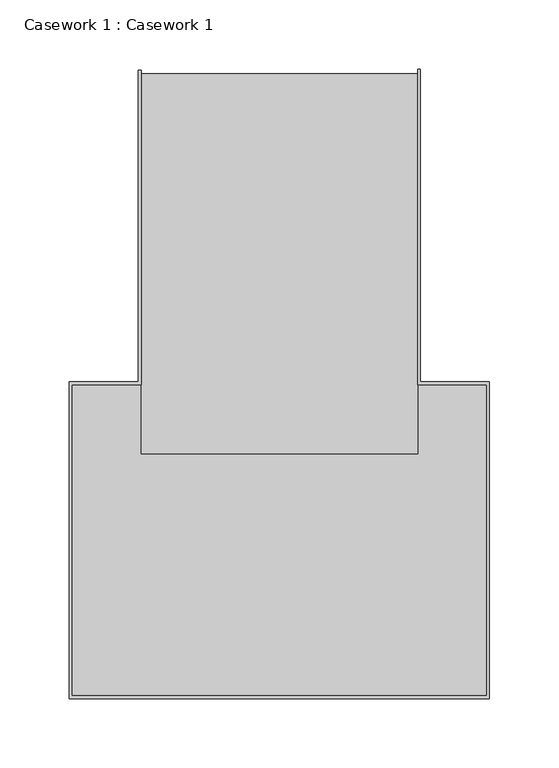
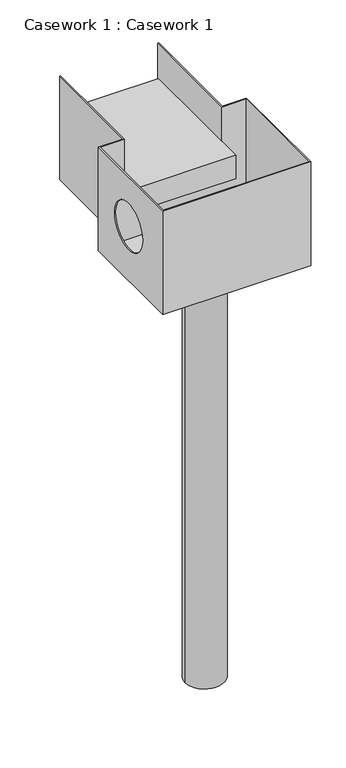
"""IFC4 building model written with IfcOpenShell, lengths in millimetres: furniture geometry, Casework 1 : Casework 1."""

from ifc_helpers import new_model, si_unit, point, frame, frame_2d, origin, place, context, project, spatial, polyline, circle_curve, trimmed, segment, composite_curve, outline, extrude, source, transform, mapped, element, save
from ifc_brep_helpers import plane_surface, revolved_surface, advanced_brep


def casework_1_casework_1_c06312c3(model_context):
    return source(origin(), model_context, "Body", "SolidModel", [
        extrude(outline(polyline([(5211.3523984, 916.5412397), (5211.3523984, 641.6319301), (5011.3523984, 641.6319301), (5011.3523984, 916.5412397), (5211.3523984, 916.5412397)])), frame((0.0, 0.0, -8703.1653558), z_axis=(0.0, 0.0, 1.0), x_axis=(1.0, 0.0, 0.0)), (0.0, 0.0, 1.0), 50.0),
        advanced_brep(
        [(5261.3523984, 466.6319301, -8578.1653558), (4961.3523984, 466.6319301, -8578.1653558), (4961.3523984, 691.6319301, -8578.1653558), (5011.3523984, 691.6319301, -8578.1653558), (5011.3523984, 772.8947781, -8578.1653558), (5011.3523984, 918.8995807, -8578.1653558), (5009.3523984, 918.8995807, -8578.1653558), (5009.3523984, 693.6319301, -8578.1653558), (4959.3523984, 693.6319301, -8578.1653558), (4959.3523984, 464.6319301, -8578.1653558), (5263.3523984, 464.6319301, -8578.1653558), (5263.3523984, 693.6319301, -8578.1653558), (5213.3523984, 693.6319301, -8578.1653558), (5213.3523984, 919.8429171, -8578.1653558), (5211.3523984, 919.8429171, -8578.1653558), (5211.3523984, 772.8947781, -8578.1653558), (5211.3523984, 691.6319301, -8578.1653558), (5261.3523984, 691.6319301, -8578.1653558), (5261.3523984, 466.6319301, -8803.1653558), (5261.3523984, 691.6319301, -8803.1653558), (5211.3523984, 691.6319301, -8803.1653558), (5211.3523984, 919.8429171, -8803.1653558), (5213.3523984, 919.8429171, -8803.1653558), (5213.3523984, 693.6319301, -8803.1653558), (5263.3523984, 693.6319301, -8803.1653558), (5263.3523984, 464.6319301, -8803.1653558), (4959.3523984, 464.6319301, -8803.1653558), (4959.3523984, 693.6319301, -8803.1653558), (5009.3523984, 693.6319301, -8803.1653558), (5009.3523984, 918.8995807, -8803.1653558), (5011.3523984, 918.8995807, -8803.1653558), (5011.3523984, 691.6319301, -8803.1653558), (4961.3523984, 691.6319301, -8803.1653558), (4961.3523984, 466.6319301, -8803.1653558), (4961.3523984, 536.5538903, -8686.159432), (4961.3523984, 636.5538903, -8686.159432), (5011.3523984, 691.6319301, -8798.1653558), (5211.3523984, 691.6319301, -8798.1653558), (5211.3523984, 691.6319301, -8703.1653558), (5011.3523984, 691.6319301, -8703.1653558), (5011.3523984, 708.6563507, -8703.1653558), (5011.3523984, 708.6563507, -8798.1653558), (4959.3523984, 636.5538903, -8686.159432), (4959.3523984, 536.5538903, -8686.159432), (5211.3523984, 708.6563507, -8798.1653558), (5211.3523984, 708.6563507, -8703.1653558)],
        [
            (0, 1),
            (1, 2),
            (2, 3),
            (3, 4),
            (4, 5),
            (5, 6),
            (6, 7),
            (7, 8),
            (8, 9),
            (9, 10),
            (10, 11),
            (11, 12),
            (12, 13),
            (13, 14),
            (14, 15),
            (15, 16),
            (16, 17),
            (17, 0),
            (18, 19),
            (19, 20),
            (20, 21),
            (21, 22),
            (22, 23),
            (23, 24),
            (24, 25),
            (25, 26),
            (26, 27),
            (27, 28),
            (28, 29),
            (29, 30),
            (30, 31),
            (31, 32),
            (32, 33),
            (33, 18),
            (0, 18),
            (33, 1),
            (32, 2),
            (34, 35, circle_curve(frame((4961.3523984, 586.5538903, -8686.159432), z_axis=(-1.0, 0.0, 0.0), x_axis=(0.0, -1.0, 0.0)), 50.0)),
            (35, 34, circle_curve(frame((4961.3523984, 586.5538903, -8686.159432), z_axis=(-1.0, 0.0, 0.0), x_axis=(0.0, -1.0, 0.0)), 50.0)),
            (31, 36),
            (36, 37),
            (37, 20),
            (19, 17),
            (16, 38),
            (38, 39),
            (39, 3),
            (30, 5),
            (39, 40),
            (40, 41),
            (41, 36),
            (7, 28),
            (27, 8),
            (26, 9),
            (42, 43, circle_curve(frame((4959.3523984, 586.5538903, -8686.159432), z_axis=(1.0, 0.0, 0.0), x_axis=(0.0, -1.0, 0.0)), 50.0)),
            (43, 42, circle_curve(frame((4959.3523984, 586.5538903, -8686.159432), z_axis=(1.0, 0.0, 0.0), x_axis=(0.0, -1.0, 0.0)), 50.0)),
            (25, 10),
            (24, 11),
            (23, 12),
            (29, 6),
            (22, 13),
            (21, 14),
            (37, 44),
            (44, 45),
            (45, 38),
            (42, 35),
            (34, 43),
            (44, 41),
            (40, 45),
        ],
        [
            plane_surface(frame((5261.3523984, 466.6319301, -8578.1653558), z_axis=(0.0, 0.0, 1.0), x_axis=(-1.0, 0.0, 0.0))),
            plane_surface(frame((5261.3523984, 466.6319301, -8803.1653558), z_axis=(0.0, 0.0, -1.0), x_axis=(1.0, 0.0, 0.0))),
            plane_surface(frame((5261.3523984, 466.6319301, -8578.1653558), z_axis=(0.0, 1.0, 0.0), x_axis=(0.0, 0.0, -1.0))),
            plane_surface(frame((4961.3523984, 466.6319301, -8578.1653558), z_axis=(1.0, 0.0, 0.0), x_axis=(0.0, 0.0, -1.0))),
            plane_surface(frame((4961.3523984, 691.6319301, -8578.1653558), z_axis=(0.0, -1.0, 0.0), x_axis=(0.0, 0.0, -1.0))),
            plane_surface(frame((5011.3523984, 691.6319301, -8578.1653558), z_axis=(1.0, 0.0, 0.0), x_axis=(0.0, 0.0, -1.0))),
            plane_surface(frame((5009.3523984, 693.6319301, -8578.1653558), z_axis=(0.0, 1.0, 0.0), x_axis=(0.0, 0.0, -1.0))),
            plane_surface(frame((4959.3523984, 693.6319301, -8578.1653558), z_axis=(-1.0, 0.0, 0.0), x_axis=(0.0, 0.0, -1.0))),
            plane_surface(frame((4959.3523984, 464.6319301, -8578.1653558), z_axis=(0.0, -1.0, 0.0), x_axis=(0.0, 0.0, -1.0))),
            plane_surface(frame((5263.3523984, 464.6319301, -8578.1653558), z_axis=(1.0, 0.0, 0.0), x_axis=(0.0, 0.0, -1.0))),
            plane_surface(frame((5263.3523984, 693.6319301, -8578.1653558), z_axis=(0.0, 1.0, 0.0), x_axis=(0.0, 0.0, -1.0))),
            plane_surface(frame((5261.3523984, 691.6319301, -8578.1653558), z_axis=(-1.0, 0.0, 0.0), x_axis=(0.0, 0.0, -1.0))),
            plane_surface(frame((5011.3523984, 918.8995807, -8578.1653558), z_axis=(0.0, 1.0, 0.0), x_axis=(0.0, 0.0, -1.0))),
            plane_surface(frame((5009.3523984, 918.8995807, -8578.1653558), z_axis=(-1.0, 0.0, 0.0), x_axis=(0.0, 0.0, -1.0))),
            plane_surface(frame((5213.3523984, 693.6319301, -8578.1653558), z_axis=(1.0, 0.0, 0.0), x_axis=(0.0, 0.0, -1.0))),
            plane_surface(frame((5213.3523984, 919.8429171, -8578.1653558), z_axis=(0.0, 1.0, 0.0), x_axis=(0.0, 0.0, -1.0))),
            plane_surface(frame((5211.3523984, 919.8429171, -8578.1653558), z_axis=(-1.0, 0.0, 0.0), x_axis=(0.0, 0.0, -1.0))),
            revolved_surface(polyline([(4961.3523984, 536.5538903, -8686.159432), (4959.3523984, 536.5538903, -8686.159432)]), (4944.2546094, 586.5538903, -8686.159432), (1.0, 0.0, 0.0)),
            plane_surface(frame((5211.3523984, 708.6563507, -8703.1653558), z_axis=(0.0, 1.0, 0.0), x_axis=(0.0, 0.0, -1.0))),
            plane_surface(frame((5211.3523984, 691.6319301, -8703.1653558), z_axis=(0.0, 0.0, 1.0), x_axis=(0.0, 1.0, 0.0))),
            plane_surface(frame((5011.3523984, 691.6319301, -8798.1653558), z_axis=(0.0, 0.0, -1.0), x_axis=(0.0, 1.0, 0.0))),
        ],
        [
            (0, [[1, 2, 3, 4, 5, 6, 7, 8, 9, 10, 11, 12, 13, 14, 15, 16, 17, 18]]),
            (1, [[19, 20, 21, 22, 23, 24, 25, 26, 27, 28, 29, 30, 31, 32, 33, 34]]),
            (2, [[-1, 35, -34, 36]]),
            (3, [[-2, -36, -33, 37], [38, 39]]),
            (4, [[-3, -37, -32, 40, 41, 42, -20, 43, -17, 44, 45, 46]]),
            (5, [[-31, 47, -5, -4, -46, 48, 49, 50, -40]]),
            (6, [[-8, 51, -28, 52]]),
            (7, [[-9, -52, -27, 53], [54, 55]]),
            (8, [[-10, -53, -26, 56]]),
            (9, [[-11, -56, -25, 57]]),
            (10, [[-12, -57, -24, 58]]),
            (11, [[-18, -43, -19, -35]]),
            (12, [[-6, -47, -30, 59]]),
            (13, [[-7, -59, -29, -51]]),
            (14, [[-13, -58, -23, 60]]),
            (15, [[-14, -60, -22, 61]]),
            (16, [[-21, -42, 62, 63, 64, -44, -16, -15, -61]]),
            (17, [[65, -38, 66, -54]]),
            (17, [[-65, -55, -66, -39]]),
            (18, [[67, -49, 68, -63]]),
            (19, [[-45, -64, -68, -48]]),
            (20, [[-41, -50, -67, -62]]),
        ],
    ),
        extrude(outline(composite_curve([segment(trimmed(circle_curve(frame_2d((5111.3523984, 579.1319301)), 40.0), [point((5071.3523984, 579.1319301))], [point((5151.3523984, 579.1319301))], False, "CARTESIAN"), True, "CONTINUOUS"), segment(trimmed(circle_curve(frame_2d((5111.3523984, 579.1319301)), 40.0), [point((5151.3523984, 579.1319301))], [point((5071.3523984, 579.1319301))], False, "CARTESIAN"), True, "CONTINUOUS")], self_intersect=False)), frame((0.0, 0.0, -9712.1415762), z_axis=(0.0, 0.0, 1.0), x_axis=(1.0, 0.0, 0.0)), (0.0, 0.0, 1.0), 908.9762205),
        extrude(outline(polyline([(5261.3523984, 691.6319301), (5261.3523984, 466.6319301), (4961.3523984, 466.6319301), (4961.3523984, 691.6319301), (5011.3523984, 691.6319301), (5011.3523984, 726.6319301), (5211.3523984, 726.6319301), (5211.3523984, 691.6319301), (5261.3523984, 691.6319301)])), frame((0.0, 0.0, -8803.1653558), z_axis=(0.0, 0.0, 1.0), x_axis=(1.0, 0.0, 0.0)), (0.0, 0.0, 1.0), 5.0),
    ])


if __name__ == "__main__":
    model = new_model("IFC4")
    model_context = context("Model", 3, world=origin())
    ifc_project = project(units=[si_unit("LENGTHUNIT", "METRE", prefix="MILLI")], contexts=[model_context])
    site = spatial("IfcSite", under=ifc_project)
    building = spatial("IfcBuilding", under=site)
    placement = place(None, origin())
    casework_1_casework_1_shape = casework_1_casework_1_c06312c3(model_context)
    element("IfcFurniture", 1, ObjectType="Casework 1 : Casework 1", at=placement, inside=building, context=model_context, shape_type="MappedRepresentation", body=[
        mapped(casework_1_casework_1_shape, transform((0.0, 0.0, 0.0), x_axis=(1.0, 0.0, 0.0), y_axis=(0.0, 1.0, 0.0), z_axis=(0.0, 0.0, 1.0))),
    ])
    save(model, "model.ifc")
